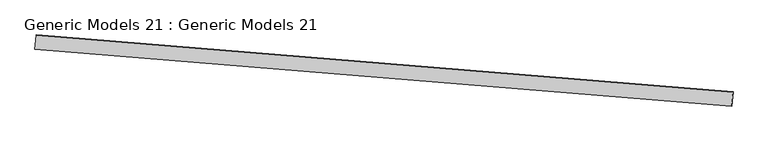
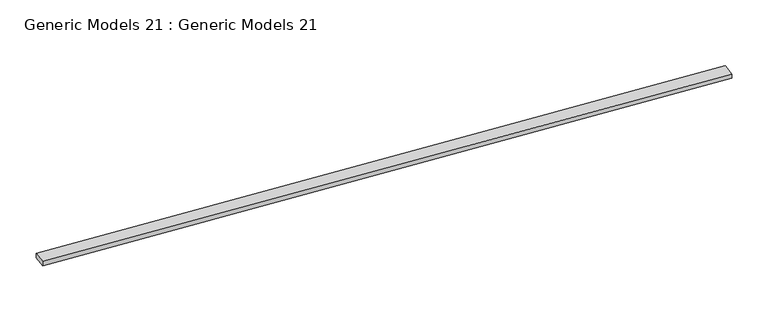
"""IFC4 building model written with IfcOpenShell, lengths in millimetres: proxy geometry, Generic Models 21 : Generic Models 21."""

from ifc_helpers import new_model, si_unit, frame, origin, place, context, project, spatial, polyline, outline, extrude, source, transform, mapped, element, save


def generic_models_21_generic_models_21_681b0b47(model_context):
    return source(origin(), model_context, "Body", "SweptSolid", [
        extrude(outline(polyline([(0.0, -14300.0), (0.0, 0.0), (287.2637692, 1e-07), (287.2637693, -14300.0), (0.0, -14300.0)])), frame((-271015.5516179, 6329.4943174, 5864.2497574), z_axis=(-0.0031132802157022273, -0.022271674613228116, 0.999747108020934), x_axis=(0.08149254749098607, 0.99642104628855, 0.022451352223438248)), (0.0, 0.0, 1.0), 100.0),
    ])


if __name__ == "__main__":
    model = new_model("IFC4")
    model_context = context("Model", 3, world=origin())
    ifc_project = project(units=[si_unit("LENGTHUNIT", "METRE", prefix="MILLI")], contexts=[model_context])
    site = spatial("IfcSite", under=ifc_project)
    building = spatial("IfcBuilding", under=site)
    placement = place(None, origin())
    generic_models_21_generic_models_21_shape = generic_models_21_generic_models_21_681b0b47(model_context)
    element("IfcBuildingElementProxy", 1, Name="Generic Models 21 : Generic Models 21", ObjectType="Generic Models 21 : Generic Models 21", at=placement, inside=building, context=model_context, shape_type="MappedRepresentation", body=[
        mapped(generic_models_21_generic_models_21_shape, transform((0.0, 0.0, 0.0), x_axis=(1.0, 0.0, 0.0), y_axis=(0.0, 1.0, 0.0), z_axis=(0.0, 0.0, 1.0))),
    ])
    save(model, "model.ifc")
